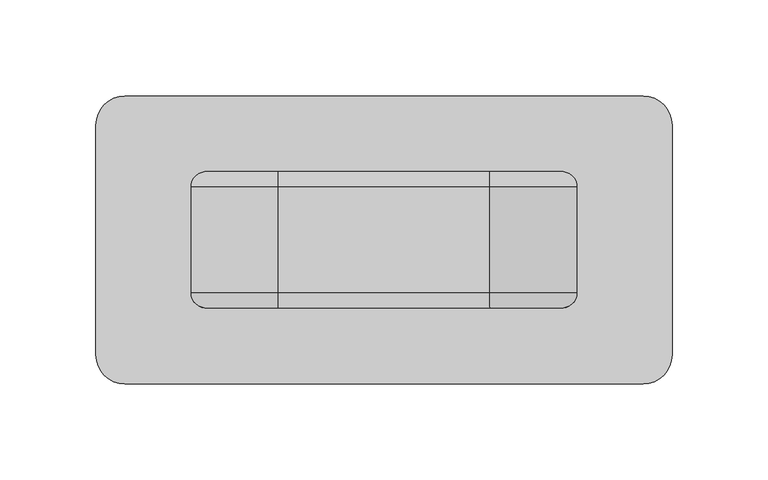
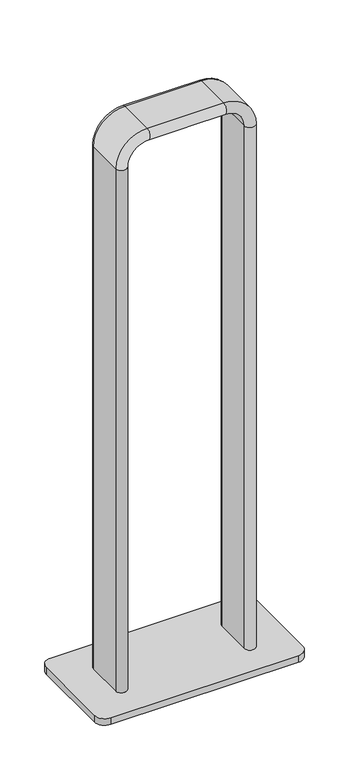
"""IFC4 building model written with IfcOpenShell, lengths in millimetres: furniture geometry."""

from ifc_helpers import new_model, si_unit, point, frame, origin, place, context, project, spatial, polyline, circle_curve, ellipse_curve, trimmed, source, transform, mapped, element, save
from ifc_brep_helpers import plane_surface, cylinder_surface, revolved_surface, advanced_brep


def furniture_57ba3d4d(model_context):
    return source(origin(), model_context, "Body", "AdvancedBrep", [
        advanced_brep(
        [(-135.0016614, 75.0, 10.1033333), (-150.0016667, 59.9999948, 10.1033333), (-150.0016667, -59.9999948, 10.1033333), (-135.0016614, -75.0, 10.1033333), (135.0016614, -75.0, 10.1033333), (150.0016667, -59.9999948, 10.1033333), (150.0016667, 59.9999948, 10.1033333), (135.0016614, 75.0, 10.1033333), (100.5016667, 27.5, 10.1033333), (100.5016667, -27.5, 10.1033333), (84.5016667, -27.5, 10.1033333), (84.5016667, 27.5, 10.1033333), (-100.5016667, -27.5, 10.1033333), (-100.5016667, 27.5, 10.1033333), (-84.5016667, 27.5, 10.1033333), (-84.5016667, -27.5, 10.1033333), (-135.0016614, 75.0, 0.0), (135.0016614, 75.0, 0.0), (150.0016667, 59.9999948, 0.0), (150.0016667, -59.9999948, 0.0), (135.0016614, -75.0, 0.0), (-135.0016614, -75.0, 0.0), (-150.0016667, -59.9999948, 0.0), (-150.0016667, 59.9999948, 0.0), (100.5016667, 27.5, 805.0), (100.5016667, -27.5, 805.0), (84.5016667, -27.5, 805.0), (84.5016667, 27.5, 805.0), (55.0016667, 27.5, 850.5), (55.0016667, -27.5, 850.5), (55.0016667, -27.5, 834.5), (55.0016667, 27.5, 834.5), (-55.0016667, 27.5, 850.5), (-55.0016667, -27.5, 850.5), (-55.0016667, -27.5, 834.5), (-55.0016667, 27.5, 834.5), (-100.5016667, 27.5, 805.0), (-100.5016667, -27.5, 805.0), (-84.5016667, -27.5, 805.0), (-84.5016667, 27.5, 805.0)],
        [
            (0, 1, circle_curve(frame((-135.0016614, 59.9999948, 10.1033333), z_axis=(0.0, 0.0, 1.0), x_axis=(0.0, 1.0, 0.0)), 15.0000052)),
            (1, 2),
            (2, 3, circle_curve(frame((-135.0016614, -59.9999948, 10.1033333), z_axis=(0.0, 0.0, 1.0), x_axis=(-1.0, 0.0, 0.0)), 15.0000052)),
            (3, 4),
            (4, 5, circle_curve(frame((135.0016614, -59.9999948, 10.1033333), z_axis=(0.0, 0.0, 1.0), x_axis=(0.0, -1.0, 0.0)), 15.0000052)),
            (5, 6),
            (6, 7, circle_curve(frame((135.0016614, 59.9999948, 10.1033333), z_axis=(0.0, 0.0, 1.0), x_axis=(1.0, 0.0, 0.0)), 15.0000052)),
            (7, 0),
            (8, 9),
            (9, 10, circle_curve(frame((92.5016667, -27.5, 10.1033333), z_axis=(0.0, 0.0, -1.0), x_axis=(-1.0, 0.0, 0.0)), 8.0)),
            (10, 11),
            (11, 8, circle_curve(frame((92.5016667, 27.5, 10.1033333), z_axis=(0.0, 0.0, -1.0), x_axis=(1.0, 0.0, 0.0)), 8.0)),
            (12, 13),
            (13, 14, circle_curve(frame((-92.5016667, 27.5, 10.1033333), z_axis=(0.0, 0.0, -1.0), x_axis=(-1.0, 0.0, 0.0)), 8.0)),
            (14, 15),
            (15, 12, circle_curve(frame((-92.5016667, -27.5, 10.1033333), z_axis=(0.0, 0.0, -1.0), x_axis=(1.0, 0.0, 0.0)), 8.0)),
            (16, 17),
            (17, 18, circle_curve(frame((135.0016614, 59.9999948, 0.0), z_axis=(0.0, 0.0, -1.0), x_axis=(1.0, 0.0, 0.0)), 15.0000052)),
            (18, 19),
            (19, 20, circle_curve(frame((135.0016614, -59.9999948, 0.0), z_axis=(0.0, 0.0, -1.0), x_axis=(0.0, -1.0, 0.0)), 15.0000052)),
            (20, 21),
            (21, 22, circle_curve(frame((-135.0016614, -59.9999948, 0.0), z_axis=(0.0, 0.0, -1.0), x_axis=(-1.0, 0.0, 0.0)), 15.0000052)),
            (22, 23),
            (23, 16, circle_curve(frame((-135.0016614, 59.9999948, 0.0), z_axis=(0.0, 0.0, -1.0), x_axis=(0.0, 1.0, 0.0)), 15.0000052)),
            (0, 16),
            (23, 1),
            (22, 2),
            (21, 3),
            (20, 4),
            (19, 5),
            (18, 6),
            (17, 7),
            (24, 25),
            (25, 9),
            (8, 24),
            (25, 26, circle_curve(frame((92.5016667, -27.5, 805.0), z_axis=(0.0, 0.0, -1.0), x_axis=(-1.0, 0.0, 0.0)), 8.0)),
            (26, 10),
            (26, 27),
            (27, 11),
            (27, 24, circle_curve(frame((92.5016667, 27.5, 805.0), z_axis=(0.0, 0.0, -1.0), x_axis=(1.0, 0.0, 0.0)), 8.0)),
            (24, 28, circle_curve(frame((55.0016667, 27.5, 805.0), z_axis=(0.0, -1.0, 0.0), x_axis=(1.0, 0.0, 0.0)), 45.5)),
            (28, 29),
            (29, 25, circle_curve(frame((55.0016667, -27.5, 805.0), z_axis=(0.0, 1.0, 0.0), x_axis=(1.0, 0.0, 0.0)), 45.5)),
            (29, 30, circle_curve(frame((55.0016667, -27.5, 842.5), z_axis=(1.0, 0.0, 0.0), x_axis=(0.0, 0.0, -1.0)), 8.0)),
            (30, 26, circle_curve(frame((55.0016667, -27.5, 805.0), z_axis=(0.0, 1.0, 0.0), x_axis=(1.0, 0.0, 0.0)), 29.5)),
            (30, 31),
            (31, 27, circle_curve(frame((55.0016667, 27.5, 805.0), z_axis=(0.0, 1.0, 0.0), x_axis=(1.0, 0.0, 0.0)), 29.5)),
            (31, 28, circle_curve(frame((55.0016667, 27.5, 842.5), z_axis=(1.0, 0.0, 0.0), x_axis=(0.0, 0.0, 1.0)), 8.0)),
            (28, 32),
            (32, 33),
            (33, 29),
            (33, 34, circle_curve(frame((-55.0016667, -27.5, 842.5), z_axis=(1.0, 0.0, 0.0), x_axis=(0.0, 0.0, -1.0)), 8.0)),
            (34, 30),
            (34, 35),
            (35, 31),
            (35, 32, circle_curve(frame((-55.0016667, 27.5, 842.5), z_axis=(1.0, 0.0, 0.0), x_axis=(0.0, 0.0, 1.0)), 8.0)),
            (32, 36, circle_curve(frame((-55.0016667, 27.5, 805.0), z_axis=(0.0, -1.0, 0.0), x_axis=(0.0, 0.0, 1.0)), 45.5)),
            (36, 37),
            (37, 33, circle_curve(frame((-55.0016667, -27.5, 805.0), z_axis=(0.0, 1.0, 0.0), x_axis=(0.0, 0.0, 1.0)), 45.5)),
            (37, 38, circle_curve(frame((-92.5016667, -27.5, 805.0), z_axis=(0.0, 0.0, 1.0), x_axis=(1.0, 0.0, 0.0)), 8.0)),
            (38, 34, circle_curve(frame((-55.0016667, -27.5, 805.0), z_axis=(0.0, 1.0, 0.0), x_axis=(0.0, 0.0, 1.0)), 29.5)),
            (38, 39),
            (39, 35, circle_curve(frame((-55.0016667, 27.5, 805.0), z_axis=(0.0, 1.0, 0.0), x_axis=(0.0, 0.0, 1.0)), 29.5)),
            (39, 36, circle_curve(frame((-92.5016667, 27.5, 805.0), z_axis=(0.0, 0.0, 1.0), x_axis=(-1.0, 0.0, 0.0)), 8.0)),
            (36, 13),
            (12, 37),
            (15, 38),
            (14, 39),
        ],
        [
            plane_surface(frame((-135.0016614, 75.0, 10.1033333), z_axis=(0.0, 0.0, 1.0), x_axis=(-1.0, 0.0, 0.0))),
            plane_surface(frame((-135.0016614, 75.0, 0.0), z_axis=(0.0, 0.0, -1.0), x_axis=(1.0, 0.0, 0.0))),
            cylinder_surface(frame((-135.0016614, 59.9999948, 0.0), z_axis=(0.0, 0.0, 1.0), x_axis=(0.0, 1.0, 0.0)), 15.0000052),
            plane_surface(frame((-150.0016667, 59.9999948, 10.1033333), z_axis=(-1.0, 0.0, 0.0), x_axis=(0.0, 0.0, -1.0))),
            cylinder_surface(frame((-135.0016614, -59.9999948, 0.0), z_axis=(0.0, 0.0, 1.0), x_axis=(-1.0, 0.0, 0.0)), 15.0000052),
            plane_surface(frame((-135.0016614, -75.0, 10.1033333), z_axis=(0.0, -1.0, 0.0), x_axis=(0.0, 0.0, -1.0))),
            cylinder_surface(frame((135.0016614, -59.9999948, 0.0), z_axis=(0.0, 0.0, 1.0), x_axis=(0.0, -1.0, 0.0)), 15.0000052),
            plane_surface(frame((150.0016667, -59.9999948, 10.1033333), z_axis=(1.0, 0.0, 0.0), x_axis=(0.0, 0.0, -1.0))),
            cylinder_surface(frame((135.0016614, 59.9999948, 0.0), z_axis=(0.0, 0.0, 1.0), x_axis=(1.0, 0.0, 0.0)), 15.0000052),
            plane_surface(frame((135.0016614, 75.0, 10.1033333), z_axis=(0.0, 1.0, 0.0), x_axis=(0.0, 0.0, -1.0))),
            plane_surface(frame((100.5016667, 27.5, 0.0), z_axis=(1.0, 0.0, 0.0), x_axis=(0.0, 0.0, 1.0))),
            cylinder_surface(frame((92.5016667, -27.5, 0.0), z_axis=(0.0, 0.0, -1.0), x_axis=(-1.0, 0.0, 0.0)), 8.0),
            plane_surface(frame((84.5016667, -27.5, 0.0), z_axis=(-1.0, 0.0, 0.0), x_axis=(0.0, 0.0, 1.0))),
            cylinder_surface(frame((92.5016667, 27.5, 0.0), z_axis=(0.0, 0.0, -1.0), x_axis=(1.0, 0.0, 0.0)), 8.0),
            cylinder_surface(frame((55.0016667, 0.0, 805.0), z_axis=(0.0, -1.0, 0.0), x_axis=(1.0, 0.0, 0.0)), 45.5),
            revolved_surface(trimmed(ellipse_curve(frame((92.5016667, -27.5, 805.0), z_axis=(0.0, 0.0, -1.0), x_axis=(-1.0, 0.0, 0.0)), 8.0, 8.0), [point((100.5016667, -27.5, 805.0))], [point((84.5016667, -27.5, 805.0))], True, "CARTESIAN"), (55.0016667, 0.0, 805.0), (0.0, -1.0, 0.0)),
            revolved_surface(polyline([(84.5016667, -27.5, 805.0), (84.5016667, 27.5, 805.0)]), (55.0016667, 0.0, 805.0), (0.0, -1.0, 0.0)),
            revolved_surface(trimmed(ellipse_curve(frame((92.5016667, 27.5, 805.0), z_axis=(0.0, 0.0, -1.0), x_axis=(1.0, 0.0, 0.0)), 8.0, 8.0), [point((84.5016667, 27.5, 805.0))], [point((100.5016667, 27.5, 805.0))], True, "CARTESIAN"), (55.0016667, 0.0, 805.0), (0.0, -1.0, 0.0)),
            plane_surface(frame((55.0016667, 27.5, 850.5), z_axis=(0.0, 0.0, 1.0), x_axis=(-1.0, 0.0, 0.0))),
            cylinder_surface(frame((55.0016667, -27.5, 842.5), z_axis=(1.0, 0.0, 0.0), x_axis=(0.0, 0.0, -1.0)), 8.0),
            plane_surface(frame((55.0016667, -27.5, 834.5), z_axis=(0.0, 0.0, -1.0), x_axis=(-1.0, 0.0, 0.0))),
            cylinder_surface(frame((55.0016667, 27.5, 842.5), z_axis=(1.0, 0.0, 0.0), x_axis=(0.0, 0.0, 1.0)), 8.0),
            cylinder_surface(frame((-55.0016667, 0.0, 805.0), z_axis=(0.0, -1.0, 0.0), x_axis=(0.0, 0.0, 1.0)), 45.5),
            revolved_surface(trimmed(ellipse_curve(frame((-55.0016667, -27.5, 842.5), z_axis=(1.0, 0.0, 0.0), x_axis=(0.0, 0.0, -1.0)), 8.0, 8.0), [point((-55.0016667, -27.5, 850.5))], [point((-55.0016667, -27.5, 834.5))], True, "CARTESIAN"), (-55.0016667, 0.0, 805.0), (0.0, -1.0, 0.0)),
            revolved_surface(polyline([(-55.0016667, -27.5, 834.5), (-55.0016667, 27.5, 834.5)]), (-55.0016667, 0.0, 805.0), (0.0, -1.0, 0.0)),
            revolved_surface(trimmed(ellipse_curve(frame((-55.0016667, 27.5, 842.5), z_axis=(1.0, 0.0, 0.0), x_axis=(0.0, 0.0, 1.0)), 8.0, 8.0), [point((-55.0016667, 27.5, 834.5))], [point((-55.0016667, 27.5, 850.5))], True, "CARTESIAN"), (-55.0016667, 0.0, 805.0), (0.0, -1.0, 0.0)),
            plane_surface(frame((-100.5016667, 27.5, 805.0), z_axis=(-1.0, 0.0, 0.0), x_axis=(0.0, 0.0, -1.0))),
            cylinder_surface(frame((-92.5016667, -27.5, 805.0), z_axis=(0.0, 0.0, 1.0), x_axis=(1.0, 0.0, 0.0)), 8.0),
            plane_surface(frame((-84.5016667, -27.5, 805.0), z_axis=(1.0, 0.0, 0.0), x_axis=(0.0, 0.0, -1.0))),
            cylinder_surface(frame((-92.5016667, 27.5, 805.0), z_axis=(0.0, 0.0, 1.0), x_axis=(-1.0, 0.0, 0.0)), 8.0),
        ],
        [
            (0, [[1, 2, 3, 4, 5, 6, 7, 8], [9, 10, 11, 12], [13, 14, 15, 16]]),
            (1, [[17, 18, 19, 20, 21, 22, 23, 24]]),
            (2, [[-1, 25, -24, 26]]),
            (3, [[-2, -26, -23, 27]]),
            (4, [[-3, -27, -22, 28]]),
            (5, [[-4, -28, -21, 29]]),
            (6, [[-5, -29, -20, 30]]),
            (7, [[-6, -30, -19, 31]]),
            (8, [[-7, -31, -18, 32]]),
            (9, [[-8, -32, -17, -25]]),
            (10, [[33, 34, -9, 35]]),
            (11, [[36, 37, -10, -34]]),
            (12, [[38, 39, -11, -37]]),
            (13, [[40, -35, -12, -39]]),
            (14, [[-33, 41, 42, 43]]),
            (15, [[-36, -43, 44, 45]]),
            (16, [[-38, -45, 46, 47]]),
            (17, [[-40, -47, 48, -41]]),
            (18, [[-42, 49, 50, 51]]),
            (19, [[-44, -51, 52, 53]]),
            (20, [[-46, -53, 54, 55]]),
            (21, [[-48, -55, 56, -49]]),
            (22, [[-50, 57, 58, 59]]),
            (23, [[-52, -59, 60, 61]]),
            (24, [[-54, -61, 62, 63]]),
            (25, [[-56, -63, 64, -57]]),
            (26, [[-58, 65, -13, 66]]),
            (27, [[-60, -66, -16, 67]]),
            (28, [[-62, -67, -15, 68]]),
            (29, [[-64, -68, -14, -65]]),
        ],
    ),
    ])


if __name__ == "__main__":
    model = new_model("IFC4")
    model_context = context("Model", 3, world=origin())
    ifc_project = project(units=[si_unit("LENGTHUNIT", "METRE", prefix="MILLI")], contexts=[model_context])
    site = spatial("IfcSite", under=ifc_project)
    building = spatial("IfcBuilding", under=site)
    placement = place(None, origin())
    furniture_shape = furniture_57ba3d4d(model_context)
    element("IfcFurniture", 1, at=placement, inside=building, context=model_context, shape_type="MappedRepresentation", body=[
        mapped(furniture_shape, transform((0.0, 0.0, 0.0), x_axis=(1.0, 0.0, 0.0), y_axis=(0.0, 1.0, 0.0), z_axis=(0.0, 0.0, 1.0))),
    ])
    save(model, "model.ifc")
